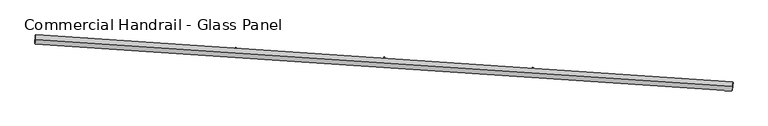
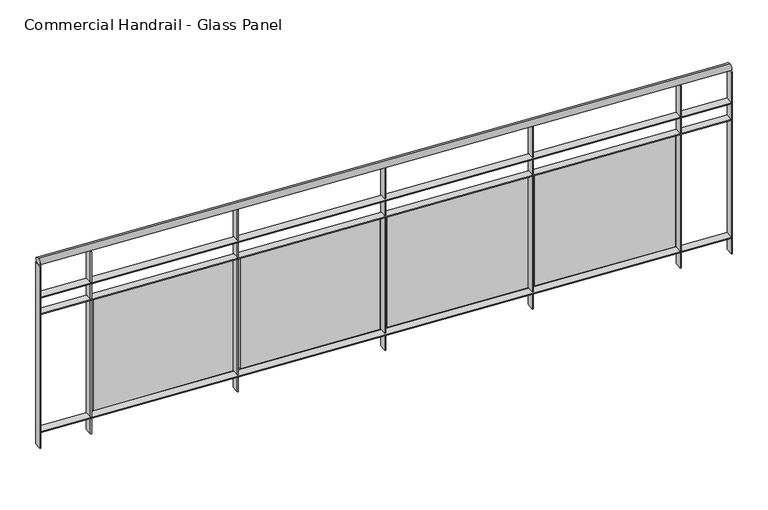
"""IFC4 building model written with IfcOpenShell, lengths in millimetres: railing geometry, Commercial Handrail - Glass Panel."""

from ifc_helpers import new_model, si_unit, point, frame, origin, place, context, project, spatial, polyline, circle_curve, ellipse_curve, trimmed, outline, extrude, source, transform, mapped, element, save
from ifc_brep_helpers import plane_surface, cylinder_surface, revolved_surface, advanced_brep


def commercial_handrail_glass_panel_08ee0b4f(model_context):
    return source(origin(), model_context, "Body", "SolidModel", [
        advanced_brep(
        [(127087.1570921, -8003.1164337, 16282.5), (123343.3137882, -7749.5898626, 16282.5), (123343.3137882, -7749.5898626, 16317.5), (127087.1570921, -8003.1164337, 16317.5)],
        [
            (0, 1, circle_curve(frame((111605.6979329, -208849.2754237, 16282.5), z_axis=(0.0, 0.0, 1.0), x_axis=(0.05826798461119784, 0.9983009776461952, 0.0)), 201441.93992)),
            (1, 2, ellipse_curve(frame((123343.3137882, -7749.5898626, 16300.0), z_axis=(0.9983009776461951, -0.05826798461120429, 0.0), x_axis=(-0.058267984611204277, -0.9983009776461949, 0.0)), 25.0, 17.5)),
            (2, 3, circle_curve(frame((111605.6979329, -208849.2754237, 16317.5), z_axis=(0.0, 0.0, -1.0), x_axis=(0.05826798461119784, 0.9983009776461952, 0.0)), 201441.93992)),
            (3, 0, ellipse_curve(frame((127087.1570921, -8003.1164337, 16300.0), z_axis=(-0.9970424186232612, 0.07685320725823905, 0.0), x_axis=(-0.07685320725823903, -0.9970424186232609, 0.0)), 25.0, 17.5)),
            (2, 1, ellipse_curve(frame((123343.3137882, -7749.5898626, 16300.0), z_axis=(0.9983009776461951, -0.05826798461120429, 0.0), x_axis=(-0.058267984611204277, -0.9983009776461949, 0.0)), 25.0, 17.5)),
            (0, 3, ellipse_curve(frame((127087.1570921, -8003.1164337, 16300.0), z_axis=(-0.9970424186232612, 0.07685320725823905, 0.0), x_axis=(-0.07685320725823903, -0.9970424186232609, 0.0)), 25.0, 17.5)),
        ],
        [
            revolved_surface(trimmed(ellipse_curve(frame((123343.3137882, -7749.5898626, 16300.0), z_axis=(-0.9983009776461952, 0.05826798461119784, 0.0), x_axis=(0.0, 0.0, -1.0)), 17.5, 25.0), [point((123343.3137882, -7749.5898626, 16317.5))], [point((123343.3137882, -7749.5898626, 16282.5))], True, "CARTESIAN"), (111605.6979329, -208849.2754237, 16300.0), (0.0, 0.0, -1.0)),
            revolved_surface(trimmed(ellipse_curve(frame((123343.3137882, -7749.5898626, 16300.0), z_axis=(-0.9983009776461952, 0.05826798461119784, 0.0), x_axis=(0.0, 0.0, -1.0)), 17.5, 25.0), [point((123343.3137882, -7749.5898626, 16282.5))], [point((123343.3137882, -7749.5898626, 16317.5))], True, "CARTESIAN"), (111605.6979329, -208849.2754237, 16300.0), (0.0, 0.0, -1.0)),
            plane_surface(frame((123343.3137882, -7749.5898626, 16300.0), z_axis=(-0.9983009776461953, 0.058267984611197844, 0.0), x_axis=(0.058267984611197844, 0.9983009776461953, 0.0))),
            plane_surface(frame((127087.1570921, -8003.1164337, 16300.0), z_axis=(0.9970424186232612, -0.07685320725823909, 0.0), x_axis=(0.07685320725823909, 0.9970424186232612, 0.0))),
        ],
        [
            (0, [[1, 2, 3, 4]]),
            (1, [[-3, 5, -1, 6]]),
            (2, [[-2, -5]]),
            (3, [[-6, -4]]),
        ],
    ),
        advanced_brep(
        [(127088.8862893, -7980.6829793, 16100.0), (123344.6248179, -7727.1280906, 16100.0), (123342.0027586, -7772.0516346, 16100.0), (127085.4278949, -8025.5498881, 16100.0), (127088.8862893, -7980.6829793, 16094.0), (123344.6248179, -7727.1280906, 16094.0), (127085.4278949, -8025.5498881, 16094.0), (123342.0027586, -7772.0516346, 16094.0)],
        [
            (0, 1, circle_curve(frame((111605.6979329, -208849.2754237, 16100.0), z_axis=(0.0, 0.0, 1.0), x_axis=(0.05826798461119784, 0.9983009776461952, 0.0)), 201464.43992)),
            (1, 2),
            (2, 3, circle_curve(frame((111605.6979329, -208849.2754237, 16100.0), z_axis=(0.0, 0.0, -1.0), x_axis=(0.05826798461119784, 0.9983009776461952, 0.0)), 201419.43992)),
            (3, 0),
            (4, 5, circle_curve(frame((111605.6979329, -208849.2754237, 16094.0), z_axis=(0.0, 0.0, 1.0), x_axis=(0.05826798461119784, 0.9983009776461952, 0.0)), 201464.43992)),
            (5, 1),
            (0, 4),
            (6, 7, circle_curve(frame((111605.6979329, -208849.2754237, 16094.0), z_axis=(0.0, 0.0, 1.0), x_axis=(0.05826798461119784, 0.9983009776461952, 0.0)), 201419.43992)),
            (7, 5),
            (4, 6),
            (2, 7),
            (6, 3),
        ],
        [
            plane_surface(frame((111605.6979329, -208849.2754237, 16100.0), z_axis=(0.0, 0.0, 1.0), x_axis=(0.058267984611197844, 0.9983009776461953, 0.0))),
            cylinder_surface(frame((111605.6979329, -208849.2754237, 16100.0), z_axis=(0.0, 0.0, -1.0), x_axis=(0.05826798461119784, 0.9983009776461952, 0.0)), 201464.43992),
            plane_surface(frame((111605.6979329, -208849.2754237, 16094.0), z_axis=(0.0, 0.0, -1.0), x_axis=(0.058267984611197844, 0.9983009776461953, 0.0))),
            revolved_surface(polyline([(123342.00275855465, -7772.051634614909, 16094.0), (123342.00275855465, -7772.051634614909, 16100.0)]), (111605.6979329, -208849.2754237, 16100.0), (0.0, 0.0, -1.0)),
            plane_surface(frame((123343.3137882, -7749.5898626, 16100.0), z_axis=(-0.9983009776461953, 0.058267984611197844, 0.0), x_axis=(0.058267984611197844, 0.9983009776461953, 0.0))),
            plane_surface(frame((127087.1570921, -8003.1164337, 16100.0), z_axis=(0.9970424186232612, -0.07685320725823909, 0.0), x_axis=(0.07685320725823909, 0.9970424186232612, 0.0))),
        ],
        [
            (0, [[1, 2, 3, 4]]),
            (1, [[5, 6, -1, 7]]),
            (2, [[8, 9, -5, 10]]),
            (3, [[-3, 11, -8, 12]]),
            (4, [[-2, -6, -9, -11]]),
            (5, [[-12, -10, -7, -4]]),
        ],
    ),
        advanced_brep(
        [(127088.8862893, -7980.6829793, 16000.0), (123344.6248179, -7727.1280906, 16000.0), (123342.0027586, -7772.0516346, 16000.0), (127085.4278949, -8025.5498881, 16000.0), (127088.8862893, -7980.6829793, 15994.0), (123344.6248179, -7727.1280906, 15994.0), (127085.4278949, -8025.5498881, 15994.0), (123342.0027586, -7772.0516346, 15994.0)],
        [
            (0, 1, circle_curve(frame((111605.6979329, -208849.2754237, 16000.0), z_axis=(0.0, 0.0, 1.0), x_axis=(0.05826798461119784, 0.9983009776461952, 0.0)), 201464.43992)),
            (1, 2),
            (2, 3, circle_curve(frame((111605.6979329, -208849.2754237, 16000.0), z_axis=(0.0, 0.0, -1.0), x_axis=(0.05826798461119784, 0.9983009776461952, 0.0)), 201419.43992)),
            (3, 0),
            (4, 5, circle_curve(frame((111605.6979329, -208849.2754237, 15994.0), z_axis=(0.0, 0.0, 1.0), x_axis=(0.05826798461119784, 0.9983009776461952, 0.0)), 201464.43992)),
            (5, 1),
            (0, 4),
            (6, 7, circle_curve(frame((111605.6979329, -208849.2754237, 15994.0), z_axis=(0.0, 0.0, 1.0), x_axis=(0.05826798461119784, 0.9983009776461952, 0.0)), 201419.43992)),
            (7, 5),
            (4, 6),
            (2, 7),
            (6, 3),
        ],
        [
            plane_surface(frame((111605.6979329, -208849.2754237, 16000.0), z_axis=(0.0, 0.0, 1.0), x_axis=(0.058267984611197844, 0.9983009776461953, 0.0))),
            cylinder_surface(frame((111605.6979329, -208849.2754237, 16000.0), z_axis=(0.0, 0.0, -1.0), x_axis=(0.05826798461119784, 0.9983009776461952, 0.0)), 201464.43992),
            plane_surface(frame((111605.6979329, -208849.2754237, 15994.0), z_axis=(0.0, 0.0, -1.0), x_axis=(0.058267984611197844, 0.9983009776461953, 0.0))),
            revolved_surface(polyline([(123342.00275855465, -7772.051634614909, 15994.0), (123342.00275855465, -7772.051634614909, 16000.0)]), (111605.6979329, -208849.2754237, 16000.0), (0.0, 0.0, -1.0)),
            plane_surface(frame((123343.3137882, -7749.5898626, 16000.0), z_axis=(-0.9983009776461953, 0.058267984611197844, 0.0), x_axis=(0.058267984611197844, 0.9983009776461953, 0.0))),
            plane_surface(frame((127087.1570921, -8003.1164337, 16000.0), z_axis=(0.9970424186232612, -0.07685320725823909, 0.0), x_axis=(0.07685320725823909, 0.9970424186232612, 0.0))),
        ],
        [
            (0, [[1, 2, 3, 4]]),
            (1, [[5, 6, -1, 7]]),
            (2, [[8, 9, -5, 10]]),
            (3, [[-3, 11, -8, 12]]),
            (4, [[-2, -6, -9, -11]]),
            (5, [[-12, -10, -7, -4]]),
        ],
    ),
        advanced_brep(
        [(127088.8862893, -7980.6829793, 15300.0), (123344.6248179, -7727.1280906, 15300.0), (123342.0027586, -7772.0516346, 15300.0), (127085.4278949, -8025.5498881, 15300.0), (127088.8862893, -7980.6829793, 15294.0), (123344.6248179, -7727.1280906, 15294.0), (127085.4278949, -8025.5498881, 15294.0), (123342.0027586, -7772.0516346, 15294.0)],
        [
            (0, 1, circle_curve(frame((111605.6979329, -208849.2754237, 15300.0), z_axis=(0.0, 0.0, 1.0), x_axis=(0.05826798461119784, 0.9983009776461952, 0.0)), 201464.43992)),
            (1, 2),
            (2, 3, circle_curve(frame((111605.6979329, -208849.2754237, 15300.0), z_axis=(0.0, 0.0, -1.0), x_axis=(0.05826798461119784, 0.9983009776461952, 0.0)), 201419.43992)),
            (3, 0),
            (4, 5, circle_curve(frame((111605.6979329, -208849.2754237, 15294.0), z_axis=(0.0, 0.0, 1.0), x_axis=(0.05826798461119784, 0.9983009776461952, 0.0)), 201464.43992)),
            (5, 1),
            (0, 4),
            (6, 7, circle_curve(frame((111605.6979329, -208849.2754237, 15294.0), z_axis=(0.0, 0.0, 1.0), x_axis=(0.05826798461119784, 0.9983009776461952, 0.0)), 201419.43992)),
            (7, 5),
            (4, 6),
            (2, 7),
            (6, 3),
        ],
        [
            plane_surface(frame((111605.6979329, -208849.2754237, 15300.0), z_axis=(0.0, 0.0, 1.0), x_axis=(0.058267984611197844, 0.9983009776461953, 0.0))),
            cylinder_surface(frame((111605.6979329, -208849.2754237, 15300.0), z_axis=(0.0, 0.0, -1.0), x_axis=(0.05826798461119784, 0.9983009776461952, 0.0)), 201464.43992),
            plane_surface(frame((111605.6979329, -208849.2754237, 15294.0), z_axis=(0.0, 0.0, -1.0), x_axis=(0.058267984611197844, 0.9983009776461953, 0.0))),
            revolved_surface(polyline([(123342.00275855465, -7772.051634614909, 15294.0), (123342.00275855465, -7772.051634614909, 15300.0)]), (111605.6979329, -208849.2754237, 15300.0), (0.0, 0.0, -1.0)),
            plane_surface(frame((123343.3137882, -7749.5898626, 15300.0), z_axis=(-0.9983009776461953, 0.058267984611197844, 0.0), x_axis=(0.058267984611197844, 0.9983009776461953, 0.0))),
            plane_surface(frame((127087.1570921, -8003.1164337, 15300.0), z_axis=(0.9970424186232612, -0.07685320725823909, 0.0), x_axis=(0.07685320725823909, 0.9970424186232612, 0.0))),
        ],
        [
            (0, [[1, 2, 3, 4]]),
            (1, [[5, 6, -1, 7]]),
            (2, [[8, 9, -5, 10]]),
            (3, [[-3, 11, -8, 12]]),
            (4, [[-2, -6, -9, -11]]),
            (5, [[-12, -10, -7, -4]]),
        ],
    ),
        extrude(outline(polyline([(126807.0337746, -8004.2850074), (126810.43064, -7959.4133983), (126816.4135212, -7959.8663137), (126813.0166558, -8004.7379228), (126807.0337746, -8004.2850074)])), frame((0.0, 0.0, 15200.0), z_axis=(0.0, 0.0, 1.0), x_axis=(1.0, 0.0, 0.0)), (0.0, 0.0, 1.0), 1082.1192282),
        extrude(outline(polyline([(126034.3041964, -7918.3613778), (126792.2482403, -7974.2257342), (126791.3661716, -7986.1932717), (126033.4221277, -7930.3289154), (126034.3041964, -7918.3613778)])), frame((0.0, 0.0, 15320.0), z_axis=(0.0, 0.0, 1.0), x_axis=(1.0, 0.0, 0.0)), (0.0, 0.0, 1.0), 660.0),
        extrude(outline(polyline([(126009.2867014, -7945.4989105), (126012.5053388, -7900.614165), (126018.4899716, -7901.0433167), (126015.2713341, -7945.9280621), (126009.2867014, -7945.4989105)])), frame((0.0, 0.0, 15200.0), z_axis=(0.0, 0.0, 1.0), x_axis=(1.0, 0.0, 0.0)), (0.0, 0.0, 1.0), 1082.1192282),
        extrude(outline(polyline([(125236.2219835, -7862.6447436), (125994.3819077, -7915.4985929), (125993.5473732, -7927.4695391), (125235.387449, -7874.6156898), (125236.2219835, -7862.6447436)])), frame((0.0, 0.0, 15320.0), z_axis=(0.0, 0.0, 1.0), x_axis=(1.0, 0.0, 0.0)), (0.0, 0.0, 1.0), 660.0),
        extrude(outline(polyline([(125211.3124586, -7889.8814157), (125214.3528173, -7844.9842418), (125220.3391071, -7845.389623), (125217.2987484, -7890.2867968), (125211.3124586, -7889.8814157)])), frame((0.0, 0.0, 15200.0), z_axis=(0.0, 0.0, 1.0), x_axis=(1.0, 0.0, 0.0)), (0.0, 0.0, 1.0), 1082.1192282),
        extrude(outline(polyline([(124437.9247935, -7810.0980184), (125196.2886404, -7859.940527), (125195.5016534, -7871.914693), (124437.1378065, -7822.0721844), (124437.9247935, -7810.0980184)])), frame((0.0, 0.0, 15320.0), z_axis=(0.0, 0.0, 1.0), x_axis=(1.0, 0.0, 0.0)), (0.0, 0.0, 1.0), 660.0),
        extrude(outline(polyline([(124413.1236316, -7837.4334002), (124415.9856636, -7792.5245061), (124421.9735161, -7792.9061104), (124419.1114841, -7837.8150045), (124413.1236316, -7837.4334002)])), frame((0.0, 0.0, 15200.0), z_axis=(0.0, 0.0, 1.0), x_axis=(1.0, 0.0, 0.0)), (0.0, 0.0, 1.0), 1082.1192282),
        extrude(outline(polyline([(123639.4252169, -7760.7220307), (124397.9810259, -7807.5524126), (124397.2415988, -7819.5296096), (123638.6857898, -7772.6992277), (123639.4252169, -7760.7220307)])), frame((0.0, 0.0, 15320.0), z_axis=(0.0, 0.0, 1.0), x_axis=(1.0, 0.0, 0.0)), (0.0, 0.0, 1.0), 660.0),
        extrude(outline(polyline([(123614.7328091, -7788.1556913), (123617.4164693, -7743.2357852), (123623.4057901, -7743.5936065), (123620.72213, -7788.5135127), (123614.7328091, -7788.1556913)])), frame((0.0, 0.0, 15200.0), z_axis=(0.0, 0.0, 1.0), x_axis=(1.0, 0.0, 0.0)), (0.0, 0.0, 1.0), 1082.1192282),
        extrude(outline(polyline([(127082.4367677, -8025.3193285), (127085.895162, -7980.4524197), (127091.8774165, -7980.9135389), (127088.4190222, -8025.7804477), (127082.4367677, -8025.3193285)])), frame((0.0, 0.0, 15200.0), z_axis=(0.0, 0.0, 1.0), x_axis=(1.0, 0.0, 0.0)), (0.0, 0.0, 1.0), 1082.1192282),
        extrude(outline(polyline([(123339.0078557, -7771.8768307), (123341.629915, -7726.9532867), (123347.6197208, -7727.3028946), (123344.9976615, -7772.2264386), (123339.0078557, -7771.8768307)])), frame((0.0, 0.0, 15200.0), z_axis=(0.0, 0.0, 1.0), x_axis=(1.0, 0.0, 0.0)), (0.0, 0.0, 1.0), 1082.1192282),
    ])


if __name__ == "__main__":
    model = new_model("IFC4")
    model_context = context("Model", 3, world=origin())
    ifc_project = project(units=[si_unit("LENGTHUNIT", "METRE", prefix="MILLI")], contexts=[model_context])
    site = spatial("IfcSite", under=ifc_project)
    building = spatial("IfcBuilding", under=site)
    placement = place(None, origin())
    commercial_handrail_glass_panel_shape = commercial_handrail_glass_panel_08ee0b4f(model_context)
    element("IfcRailing", 1, ObjectType="Commercial Handrail - Glass Panel", at=placement, inside=building, context=model_context, shape_type="MappedRepresentation", body=[
        mapped(commercial_handrail_glass_panel_shape, transform((0.0, 0.0, 0.0), x_axis=(1.0, 0.0, 0.0), y_axis=(0.0, 1.0, 0.0), z_axis=(0.0, 0.0, 1.0))),
    ])
    save(model, "model.ifc")
